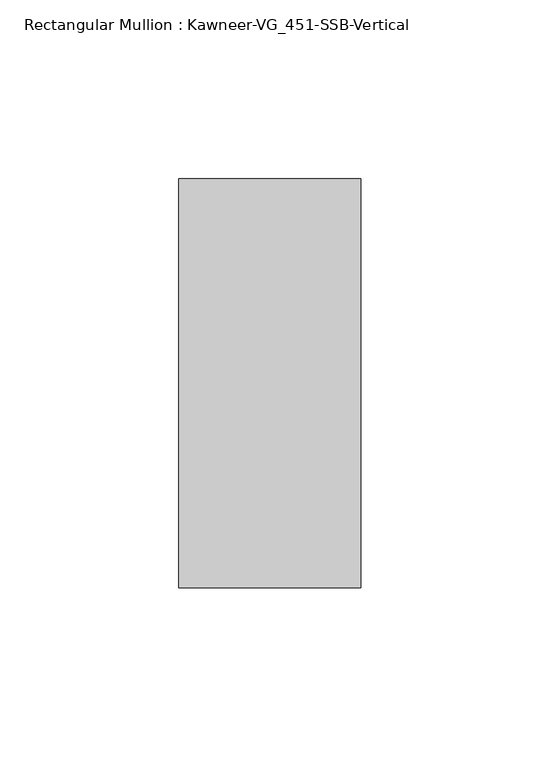
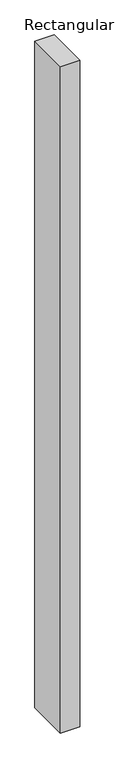
"""IFC4 building model written with IfcOpenShell, lengths in millimetres: member geometry, Rectangular Mullion : Kawneer-VG_451-SSB-Vertical."""

from ifc_helpers import new_model, si_unit, frame, origin, place, context, project, spatial, polyline, outline, extrude, source, transform, mapped, element, save


def rectangular_mullion_kawneer_vg_451_ssb_vertical_585972e0(model_context):
    return source(origin(), model_context, "Body", "SweptSolid", [
        extrude(outline(polyline([(25.4, 57.15), (25.4, -57.15), (-25.4, -57.15), (-25.4, 57.15), (25.4, 57.15)])), frame((0.0, 0.0, -1828.8), z_axis=(0.0, 0.0, 1.0), x_axis=(1.0, 0.0, 0.0)), (0.0, 0.0, 1.0), 1828.8),
    ])


if __name__ == "__main__":
    model = new_model("IFC4")
    model_context = context("Model", 3, world=origin())
    ifc_project = project(units=[si_unit("LENGTHUNIT", "METRE", prefix="MILLI")], contexts=[model_context])
    site = spatial("IfcSite", under=ifc_project)
    building = spatial("IfcBuilding", under=site)
    placement = place(None, origin())
    rectangular_mullion_kawneer_vg_451_ssb_vertical_shape = rectangular_mullion_kawneer_vg_451_ssb_vertical_585972e0(model_context)
    element("IfcMember", 1, ObjectType="Rectangular Mullion : Kawneer-VG_451-SSB-Vertical", at=placement, inside=building, context=model_context, shape_type="MappedRepresentation", body=[
        mapped(rectangular_mullion_kawneer_vg_451_ssb_vertical_shape, transform((0.0, 0.0, 0.0), x_axis=(1.0, 0.0, 0.0), y_axis=(0.0, 1.0, 0.0), z_axis=(0.0, 0.0, 1.0))),
    ])
    save(model, "model.ifc")
